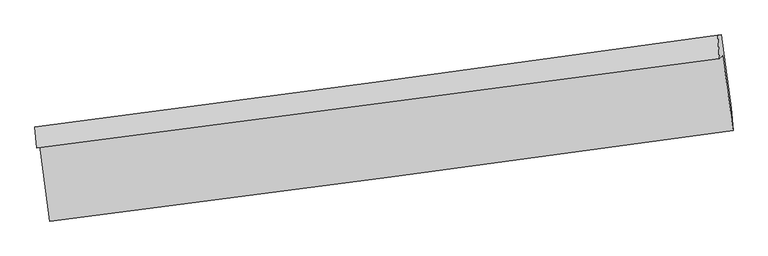
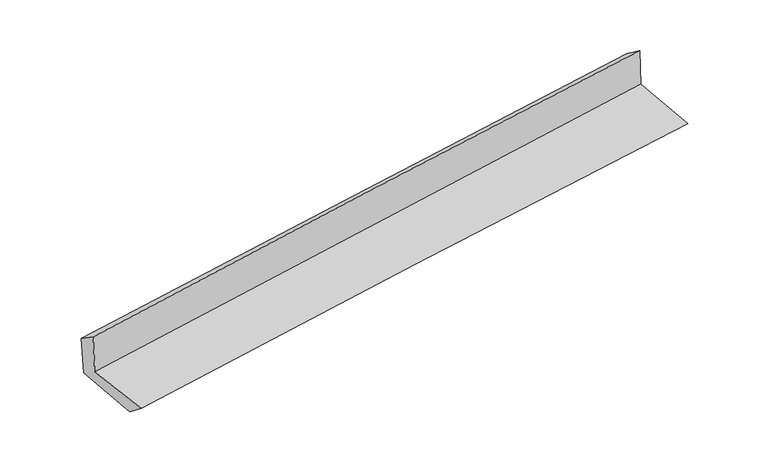
"""IFC4 building model written with IfcOpenShell, lengths in millimetres: proxy geometry."""

from ifc_helpers import new_model, si_unit, frame, origin, place, context, project, spatial, source, transform, mapped, element, save
from ifc_brep_helpers import plane_surface, spline_curve, spline_surface, advanced_brep


def generic_models_cdcf9e4f(model_context):
    return source(origin(), model_context, "Body", "AdvancedBrep", [
        advanced_brep(
        [(-3019.1764047, -1909.8621229, 1655.3063658), (-2930.9409815, -2573.7556713, 1635.4596969), (3070.1036541, -1777.9793539, 2104.9843344), (2977.1396382, -1116.197222, 2163.7134731), (-3048.1105427, -1932.1347239, 2053.6660873), (2950.0831629, -1143.9256953, 2547.8057383), (-3062.6343741, -1745.9061387, 1931.2838006), (2934.9714422, -939.2086345, 2395.5496173), (-3032.4700536, -1741.5570923, 1546.8003565), (2964.7635644, -934.9137411, 2016.3240015), (-2943.3008493, -2392.8283716, 1494.6606758), (3053.846384, -1580.4746465, 1979.0481057)],
        [
            (0, 1),
            (1, 2, spline_curve(3, [(-2930.9409815, -2573.7556713, 1635.4596969), (-1931.26983068, -2447.569530655, 1728.853049318), (-931.415512158, -2318.171260762, 1814.672470259), (1068.93259931, -2052.914243451, 1971.184820477), (2069.426492798, -1917.053740525, 2041.873612023), (3070.1036541, -1777.9793539, 2104.9843344)], [4, 2, 4], [0.0, 9.957401862997898, 19.91752338433292])),
            (2, 3),
            (3, 0, spline_curve(3, [(2977.1396382, -1116.197222, 2163.7134731), (1977.57572466, -1247.501803483, 2078.051838725), (978.03253623, -1379.30193486, 1992.848039688), (-1020.739467089, -1643.857172178, 1823.379254199), (-2019.968292649, -1776.6120082, 1739.114017204), (-3019.1764047, -1909.8621229, 1655.3063658)], [4, 2, 4], [0.0, 9.960121521335022, 19.91752338433292])),
            (4, 0),
            (3, 5),
            (5, 4, spline_curve(3, [(2950.0831629, -1143.9256953, 2547.8057383), (1949.608725937, -1276.952910257, 2476.292886682), (949.453823276, -1409.159460431, 2399.351792494), (-1049.943904095, -1671.89535543, 2234.635611643), (-2049.18690323, -1802.425148001, 2146.863488581), (-3048.1105427, -1932.1347239, 2053.6660873)], [4, 2, 4], [0.0, 9.95861233616558, 19.91450542608419])),
            (6, 4),
            (5, 7),
            (7, 6, spline_curve(3, [(2934.9714422, -939.2086345, 2395.5496173), (1935.323796836, -1078.478744248, 2325.283381273), (935.631237821, -1215.347442226, 2251.455676143), (-1063.57072557, -1484.245299244, 2096.698459537), (-2063.080105158, -1616.275768856, 2015.770892248), (-3062.6343741, -1745.9061387, 1931.2838006)], [4, 2, 4], [0.0, 9.958227205011626, 19.91373526893817])),
            (8, 6),
            (7, 9),
            (9, 8, spline_curve(3, [(2964.7635644, -934.9137411, 2016.3240015), (1965.050608121, -1074.193190476, 1946.799872534), (965.356422528, -1211.062044101, 1872.904898356), (-1033.721439624, -1479.941844835, 1716.394630096), (-2033.105127189, -1611.954108422, 1633.781722585), (-3032.4700536, -1741.5570923, 1546.8003565)], [4, 2, 4], [0.0, 9.95786600913027, 19.913012975801703])),
            (10, 8),
            (9, 11),
            (11, 10, spline_curve(3, [(3053.846384, -1580.4746465, 1979.0481057), (2054.389125133, -1725.393189114, 1911.576252153), (1054.829971869, -1865.557198718, 1837.468288324), (-944.219161487, -2136.339177483, 1676.002188028), (-1943.709085883, -2266.959742894, 1588.647675241), (-2943.3008493, -2392.8283716, 1494.6606758)], [4, 2, 4], [0.0, 9.959480657362763, 19.91624183137934])),
            (1, 10),
            (11, 2),
        ],
        [
            spline_surface(3, 3, [[(-3019.1764047, -1909.8621229, 1655.3063658), (-2019.96829265, -1776.612008058, 1739.114017073), (-1020.739466925, -1643.857172311, 1823.37925406), (978.032536065, -1379.301934727, 1992.848039826), (1977.575724627, -1247.501803567, 2078.051838619), (2977.1396382, -1116.197222, 2163.7134731)], [(-2989.764596955, -2131.15997235, 1648.690809516), (-1990.402138683, -2000.264515565, 1735.69369446), (-990.964815383, -1868.628535167, 1820.476992763), (1008.332557199, -1603.839370919, 1985.626966732), (2008.192647364, -1470.685782587, 2065.992429784), (3008.127643477, -1336.791265979, 2144.137093541)], [(-2960.352789245, -2352.45782185, 1642.075253184), (-1960.835984752, -2223.917023124, 1732.273371798), (-961.190163849, -2093.399898038, 1817.574731478), (1038.632578326, -1828.376807127, 1978.40589365), (2038.809570169, -1693.869761571, 2053.933020925), (3039.115648823, -1557.385309921, 2124.560713959)], [(-2930.9409815, -2573.7556713, 1635.4596969), (-1931.269830785, -2447.569530631, 1728.853049185), (-931.415512308, -2318.171260894, 1814.672470181), (1068.93259946, -2052.914243319, 1971.184820556), (2069.426492906, -1917.053740591, 2041.873612091), (3070.1036541, -1777.9793539, 2104.9843344)]], [4, 4], [4, 2, 4], [0.0, 2.2313983557266917], [0.0, 9.957401862997898, 19.91752338433292]),
            spline_surface(3, 3, [[(-3048.1105427, -1932.1347239, 2053.6660873), (-2049.186903234, -1802.42514805, 2146.863488518), (-1049.943904107, -1671.895355295, 2234.635611564), (949.453823288, -1409.159460567, 2399.351792573), (1949.608726018, -1276.952910401, 2476.292886529), (2950.0831629, -1143.9256953, 2547.8057383)], [(-3038.465830025, -1924.710523599, 1920.879513464), (-2039.447366364, -1793.820768085, 2010.946998034), (-1040.209091719, -1662.549294295, 2097.550159073), (958.980060873, -1399.206951948, 2263.850541667), (1958.931058899, -1267.135874765, 2343.54587055), (2959.101988011, -1134.682870842, 2419.774983225)], [(-3028.821117375, -1917.286323201, 1788.092939636), (-2029.70782952, -1785.216388023, 1875.030507557), (-1030.474279312, -1653.203233311, 1960.464706552), (968.50629848, -1389.254443346, 2128.349290732), (1968.253391747, -1257.318839203, 2210.798854597), (2968.120813089, -1125.440046458, 2291.744228175)], [(-3019.1764047, -1909.8621229, 1655.3063658), (-2019.96829265, -1776.612008058, 1739.114017073), (-1020.739466925, -1643.857172311, 1823.37925406), (978.032536065, -1379.301934727, 1992.848039826), (1977.575724627, -1247.501803567, 2078.051838619), (2977.1396382, -1116.197222, 2163.7134731)]], [4, 4], [4, 2, 4], [0.0, 1.348162062672115], [0.0, 9.95589308991861, 19.91450542608419]),
            spline_surface(3, 3, [[(-3062.6343741, -1745.9061387, 1931.2838006), (-2063.080105084, -1616.275768984, 2015.77089221), (-1063.570725517, -1484.245299144, 2096.698459394), (935.631237767, -1215.347442326, 2251.455676286), (1935.323796981, -1078.478744111, 2325.283381391), (2934.9714422, -939.2086345, 2395.5496173)], [(-3057.793096977, -1807.98233374, 1972.077896149), (-2058.449037811, -1678.32556198, 2059.468424295), (-1059.02845172, -1546.795317843, 2142.677510103), (940.238766267, -1279.951448388, 2300.754381701), (1940.085439995, -1144.636799548, 2375.619883114), (2940.008682435, -1007.447654774, 2446.301657644)], [(-3052.951819823, -1870.05852886, 2012.871991751), (-2053.817970507, -1740.375355055, 2103.165956433), (-1054.486177903, -1609.345336596, 2188.656560855), (944.846294788, -1344.555454505, 2350.053087159), (1944.847083004, -1210.794854964, 2425.956384806), (2945.045922665, -1075.686675026, 2497.053697956)], [(-3048.1105427, -1932.1347239, 2053.6660873), (-2049.186903234, -1802.42514805, 2146.863488518), (-1049.943904107, -1671.895355295, 2234.635611564), (949.453823288, -1409.159460567, 2399.351792573), (1949.608726018, -1276.952910401, 2476.292886529), (2950.0831629, -1143.9256953, 2547.8057383)]], [4, 4], [4, 2, 4], [0.0, 0.7832387412389398], [0.0, 9.955508063926542, 19.91373526893817]),
            spline_surface(3, 3, [[(-3032.4700536, -1741.5570923, 1546.8003565), (-2033.10512709, -1611.954108355, 1633.781722653), (-1033.721439761, -1479.941844867, 1716.39463007), (965.356422665, -1211.062044069, 1872.904898383), (1965.050607985, -1074.193190493, 1946.799872608), (2964.7635644, -934.9137411, 2016.3240015)], [(-3042.524827081, -1743.006774427, 1674.96150455), (-2043.096786402, -1613.394661892, 1761.111445856), (-1043.671201663, -1481.376329646, 1843.162573178), (955.448027716, -1212.490510174, 1999.088491017), (1955.141670986, -1075.621708355, 2072.961042179), (2954.832857003, -936.345372223, 2142.732540077)], [(-3052.579600619, -1744.456456573, 1803.12265255), (-2053.088445772, -1614.835215447, 1888.441169007), (-1053.620963615, -1482.810814366, 1969.930516286), (945.539632716, -1213.918976221, 2125.272083652), (1945.23273398, -1077.050226249, 2199.12221182), (2944.902149597, -937.777003377, 2269.141078723)], [(-3062.6343741, -1745.9061387, 1931.2838006), (-2063.080105084, -1616.275768984, 2015.77089221), (-1063.570725517, -1484.245299144, 2096.698459394), (935.631237767, -1215.347442326, 2251.455676286), (1935.323796981, -1078.478744111, 2325.283381391), (2934.9714422, -939.2086345, 2395.5496173)]], [4, 4], [4, 2, 4], [0.0, 1.2487491139083207], [0.0, 9.955146966671432, 19.913012975801703]),
            spline_surface(3, 3, [[(-2943.3008493, -2392.8283716, 1494.6606758), (-1943.70908595, -2266.959743025, 1588.647675173), (-944.219161505, -2136.339177556, 1676.002188091), (1054.829971887, -1865.557198645, 1837.468288261), (2054.389125233, -1725.393189118, 1911.576251999), (3053.846384, -1580.4746465, 1979.0481057)], [(-2973.023917419, -2175.73794518, 1512.040569348), (-1973.507766349, -2048.624531482, 1603.692357648), (-974.053254285, -1917.540066648, 1689.466335433), (1025.005455452, -1647.392147109, 1849.28049165), (2024.609619485, -1508.326522939, 1923.317458874), (3024.152110802, -1365.287678063, 1991.473404305)], [(-3002.746985481, -1958.647518721, 1529.420462952), (-2003.306446691, -1830.289319899, 1618.737040178), (-1003.887346981, -1698.740955775, 1702.930482728), (995.180939101, -1429.227095606, 1861.092694993), (1994.830113732, -1291.259856672, 1935.058665733), (2994.457837598, -1150.100709537, 2003.898702895)], [(-3032.4700536, -1741.5570923, 1546.8003565), (-2033.10512709, -1611.954108355, 1633.781722653), (-1033.721439761, -1479.941844867, 1716.39463007), (965.356422665, -1211.062044069, 1872.904898383), (1965.050607985, -1074.193190493, 1946.799872608), (2964.7635644, -934.9137411, 2016.3240015)]], [4, 4], [4, 2, 4], [0.0, 2.1739246795537825], [0.0, 9.95676117401658, 19.91624183137934]),
            spline_surface(3, 3, [[(-2930.9409815, -2573.7556713, 1635.4596969), (-1931.269830785, -2447.569530631, 1728.853049185), (-931.415512308, -2318.171260894, 1814.672470181), (1068.93259946, -2052.914243319, 1971.184820556), (2069.426492906, -1917.053740591, 2041.873612091), (3070.1036541, -1777.9793539, 2104.9843344)], [(-2935.060937444, -2513.446571405, 1588.526689871), (-1935.416249184, -2387.366268101, 1682.117924519), (-935.683395351, -2257.560566468, 1768.449042811), (1064.231723625, -1990.461895115, 1926.612643118), (2064.414037021, -1853.166890087, 1998.441158735), (3064.684564073, -1712.144451421, 2063.005591508)], [(-2939.180893356, -2453.137471495, 1541.593682829), (-1939.562667552, -2327.163005556, 1635.382799839), (-939.951278462, -2196.949871981, 1722.225615461), (1059.530847722, -1928.009546849, 1882.040465699), (2059.401581118, -1789.280039622, 1955.008705355), (3059.265474027, -1646.309548979, 2021.026848592)], [(-2943.3008493, -2392.8283716, 1494.6606758), (-1943.70908595, -2266.959743025, 1588.647675173), (-944.219161505, -2136.339177556, 1676.002188091), (1054.829971887, -1865.557198645, 1837.468288261), (2054.389125233, -1725.393189118, 1911.576251999), (3053.846384, -1580.4746465, 1979.0481057)]], [4, 4], [4, 2, 4], [0.0, 0.7539144728317533], [0.0, 9.958777337251684, 19.920274708522832]),
            plane_surface(frame((2991.8179743, -1248.7832155, 2201.237545), z_axis=(0.9881158771894563, 0.1317844754120365, 0.0791193104525427), x_axis=(-0.07831411385218016, -0.011289923089362268, 0.9968648038767264))),
            plane_surface(frame((-3006.1055343, -2049.3406868, 1719.5294972), z_axis=(-0.9884900911803214, -0.12901427791898853, -0.07901047861747271), x_axis=(-0.13168967102851992, 0.9908483438206559, 0.029620771297580967))),
        ],
        [
            (0, [[1, 2, 3, 4]]),
            (1, [[5, -4, 6, 7]]),
            (2, [[8, -7, 9, 10]]),
            (3, [[11, -10, 12, 13]]),
            (4, [[14, -13, 15, 16]]),
            (5, [[17, -16, 18, -2]]),
            (6, [[-12, -9, -6, -3, -18, -15]]),
            (7, [[-1, -5, -8, -11, -14, -17]]),
        ],
    ),
    ])


if __name__ == "__main__":
    model = new_model("IFC4")
    model_context = context("Model", 3, world=origin())
    ifc_project = project(units=[si_unit("LENGTHUNIT", "METRE", prefix="MILLI")], contexts=[model_context])
    site = spatial("IfcSite", under=ifc_project)
    building = spatial("IfcBuilding", under=site)
    placement = place(None, origin())
    generic_models_shape = generic_models_cdcf9e4f(model_context)
    element("IfcBuildingElementProxy", 1, Name="Generic Models", at=placement, inside=building, context=model_context, shape_type="MappedRepresentation", body=[
        mapped(generic_models_shape, transform((0.0, 0.0, 0.0), x_axis=(1.0, 0.0, 0.0), y_axis=(0.0, 1.0, 0.0), z_axis=(0.0, 0.0, 1.0))),
    ])
    save(model, "model.ifc")
